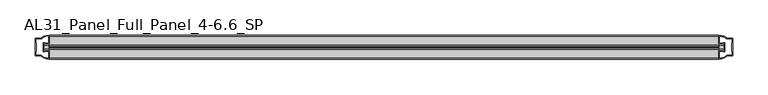
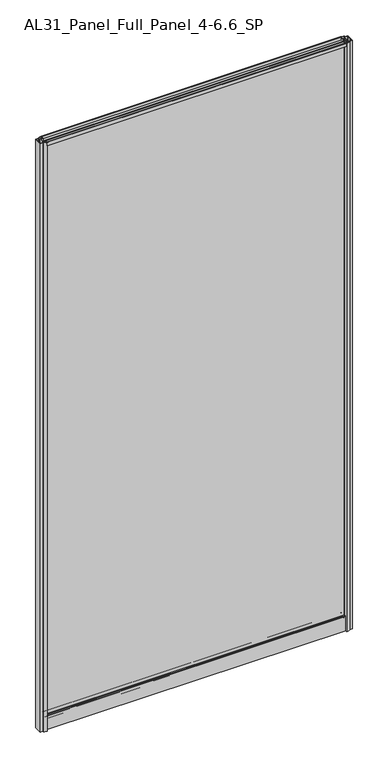
"""IFC4 building model written with IfcOpenShell, lengths in millimetres: plate geometry, AL31_Panel_Full_Panel_4-6.6_SP."""

from ifc_helpers import new_model, si_unit, point, frame, frame_2d, origin, origin_with_axes, place, context, project, spatial, polyline, circle_curve, trimmed, segment, composite_curve, outline, extrude, source, transform, mapped, element, save


def al31_panel_full_panel_4_6_6_sp_63cd9098(model_context):
    return source(origin(), model_context, "Body", "SweptSolid", [
        extrude(outline(composite_curve([segment(polyline([(-1.4, 1968.8980762), (-0.85, 1967.9454483)]), True, "CONTINUOUS"), segment(trimmed(circle_curve(frame_2d((0.1, 1966.3)), 1.9), [point((-0.85, 1967.9454483))], [point((1.05, 1967.9454483))], True, "CARTESIAN"), True, "CONTINUOUS"), segment(polyline([(1.05, 1967.9454483), (1.6, 1968.8980762)]), True, "CONTINUOUS"), segment(trimmed(circle_curve(frame_2d((0.1, 1966.3)), 3.0), [point((1.6, 1968.8980762))], [point((2.5718414, 1964.6))], False, "CARTESIAN"), True, "CONTINUOUS"), segment(polyline([(2.5718414, 1964.6), (15.7, 1964.6), (15.7, 1974.0), (17.0, 1974.0), (17.0, 1963.5), (6.7024688, 1963.5), (6.7024688, 1962.7), (6.1968782, 1960.7785039), (6.1968782, 1956.1), (5.0, 1956.1), (5.0, 1961.4339746), (5.5, 1962.3), (5.5, 1963.5), (-5.5, 1963.5), (-5.5, 1962.3), (-5.0, 1961.4339746), (-5.0, 1956.1), (-6.1968782, 1956.1), (-6.1968782, 1960.7785039), (-6.7024688, 1962.7), (-6.7024688, 1963.5), (-17.0, 1963.5), (-17.0, 1974.0), (-15.7, 1974.0), (-15.7, 1964.6), (-2.3718414, 1964.6)]), True, "CONTINUOUS"), segment(trimmed(circle_curve(frame_2d((0.1, 1966.3)), 3.0), [point((-2.3718414, 1964.6))], [point((-1.4, 1968.8980762))], False, "CARTESIAN"), True, "CONTINUOUS")], self_intersect=False)), frame((-475.5000505, 0.0, 0.0), z_axis=(1.0, 0.0, 0.0), x_axis=(0.0, 1.0, 0.0)), (0.0, 0.0, 1.0), 951.0001009),
        extrude(outline(composite_curve([segment(polyline([(-483.3414718, -5.9), (-482.1414718, -5.9), (-482.1414718, -5.0), (-475.5000505, -5.0), (-475.5000505, -17.0001453)]), True, "CONTINUOUS"), segment(trimmed(circle_curve(frame_2d((-475.1353989, 2.9965302)), 20.0), [point((-475.5000505, -17.0001453))], [point((-486.8558857, -13.2093388))], False, "CARTESIAN"), True, "CONTINUOUS"), segment(polyline([(-486.8558857, -13.2093388), (-486.8558857, -12.3279343), (-495.5000505, -12.3279343), (-495.5000505, 12.3720657), (-486.8558857, 12.3720657), (-486.8558857, 13.2095249)]), True, "CONTINUOUS"), segment(trimmed(circle_curve(frame_2d((-475.1353989, -2.9963441)), 20.0), [point((-486.8558857, 13.2095249))], [point((-475.5000505, 17.0003314))], False, "CARTESIAN"), True, "CONTINUOUS"), segment(polyline([(-475.5000505, 17.0003314), (-475.5000505, 5.0), (-482.1414718, 5.0), (-482.1414718, 5.9), (-483.3414718, 5.9), (-483.3414718, -5.9)]), True, "CONTINUOUS")], self_intersect=False), holes=[composite_curve([segment(trimmed(circle_curve(frame_2d((-482.3414718, 5.7)), 1.5), [point((-482.3414718, 7.2))], [point((-480.9862175, 6.3428731))], False, "CARTESIAN"), True, "CONTINUOUS"), segment(polyline([(-480.9862175, 6.3428731), (-477.2414718, 6.3428731), (-477.2414718, 10.939223), (-476.802132, 11.9998832), (-476.802132, 15.6499817)]), True, "CONTINUOUS"), segment(trimmed(circle_curve(frame_2d((-475.1353989, -2.9755921)), 18.7), [point((-476.802132, 15.6499817))], [point((-485.1421766, 12.8216987))], True, "CARTESIAN"), True, "CONTINUOUS"), segment(trimmed(circle_curve(frame_2d((-486.9414718, 12.8720657)), 1.8), [point((-485.1421766, 12.8216987))], [point((-486.9414718, 11.0720657))], False, "CARTESIAN"), True, "CONTINUOUS"), segment(polyline([(-486.9414718, 11.0720657), (-494.0828931, 11.0720657), (-494.0828931, 6.5019606), (-493.6414718, 5.439223), (-493.6414718, -5.3950916), (-494.1414718, -6.3879987), (-494.1414718, -11.0279343), (-486.9414718, -11.0279343)]), True, "CONTINUOUS"), segment(trimmed(circle_curve(frame_2d((-486.9414718, -12.8279343)), 1.8), [point((-486.9414718, -11.0279343))], [point((-485.1421766, -12.7775673))], False, "CARTESIAN"), True, "CONTINUOUS"), segment(trimmed(circle_curve(frame_2d((-475.1353989, 3.0197235)), 18.7), [point((-485.1421766, -12.7775673))], [point((-476.802132, -15.6058503))], True, "CARTESIAN"), True, "CONTINUOUS"), segment(polyline([(-476.802132, -15.6058503), (-476.802132, -11.9557518), (-477.2414718, -10.8950916), (-477.2414718, -6.2991308), (-480.9663201, -6.2991308)]), True, "CONTINUOUS"), segment(trimmed(circle_curve(frame_2d((-482.3414718, -5.7)), 1.5), [point((-480.9663201, -6.2991308))], [point((-482.3414718, -7.2))], False, "CARTESIAN"), True, "CONTINUOUS"), segment(polyline([(-482.3414718, -7.2), (-484.6414718, -7.2), (-484.6414718, 7.2), (-482.3414718, 7.2)]), True, "CONTINUOUS")], self_intersect=False)]), origin_with_axes(), (0.0, 0.0, 1.0), 1974.0),
        extrude(outline(composite_curve([segment(polyline([(483.3414718, 5.9), (482.1414718, 5.9), (482.1414718, 5.0), (475.5000505, 5.0), (475.5000505, 17.0001453)]), True, "CONTINUOUS"), segment(trimmed(circle_curve(frame_2d((475.1353989, -2.9965302)), 20.0), [point((475.5000505, 17.0001453))], [point((486.8558857, 13.2093388))], False, "CARTESIAN"), True, "CONTINUOUS"), segment(polyline([(486.8558857, 13.2093388), (486.8558857, 12.3279343), (495.5000505, 12.3279343), (495.5000505, -12.3720657), (486.8558857, -12.3720657), (486.8558857, -13.2095249)]), True, "CONTINUOUS"), segment(trimmed(circle_curve(frame_2d((475.1353989, 2.9963441)), 20.0), [point((486.8558857, -13.2095249))], [point((475.5000505, -17.0003314))], False, "CARTESIAN"), True, "CONTINUOUS"), segment(polyline([(475.5000505, -17.0003314), (475.5000505, -5.0), (482.1414718, -5.0), (482.1414718, -5.9), (483.3414718, -5.9), (483.3414718, 5.9)]), True, "CONTINUOUS")], self_intersect=False), holes=[composite_curve([segment(trimmed(circle_curve(frame_2d((482.3414718, -5.7)), 1.5), [point((482.3414718, -7.2))], [point((480.9862175, -6.3428731))], False, "CARTESIAN"), True, "CONTINUOUS"), segment(polyline([(480.9862175, -6.3428731), (477.2414718, -6.3428731), (477.2414718, -10.939223), (476.802132, -11.9998832), (476.802132, -15.6499817)]), True, "CONTINUOUS"), segment(trimmed(circle_curve(frame_2d((475.1353989, 2.9755921)), 18.7), [point((476.802132, -15.6499817))], [point((485.1421766, -12.8216987))], True, "CARTESIAN"), True, "CONTINUOUS"), segment(trimmed(circle_curve(frame_2d((486.9414718, -12.8720657)), 1.8), [point((485.1421766, -12.8216987))], [point((486.9414718, -11.0720657))], False, "CARTESIAN"), True, "CONTINUOUS"), segment(polyline([(486.9414718, -11.0720657), (494.0828931, -11.0720657), (494.0828931, -6.5019606), (493.6414718, -5.439223), (493.6414718, 5.3950916), (494.1414718, 6.3879987), (494.1414718, 11.0279343), (486.9414718, 11.0279343)]), True, "CONTINUOUS"), segment(trimmed(circle_curve(frame_2d((486.9414718, 12.8279343)), 1.8), [point((486.9414718, 11.0279343))], [point((485.1421766, 12.7775673))], False, "CARTESIAN"), True, "CONTINUOUS"), segment(trimmed(circle_curve(frame_2d((475.1353989, -3.0197235)), 18.7), [point((485.1421766, 12.7775673))], [point((476.802132, 15.6058503))], True, "CARTESIAN"), True, "CONTINUOUS"), segment(polyline([(476.802132, 15.6058503), (476.802132, 11.9557518), (477.2414718, 10.8950916), (477.2414718, 6.2991308), (480.9663201, 6.2991308)]), True, "CONTINUOUS"), segment(trimmed(circle_curve(frame_2d((482.3414718, 5.7)), 1.5), [point((480.9663201, 6.2991308))], [point((482.3414718, 7.2))], False, "CARTESIAN"), True, "CONTINUOUS"), segment(polyline([(482.3414718, 7.2), (484.6414718, 7.2), (484.6414718, -7.2), (482.3414718, -7.2)]), True, "CONTINUOUS")], self_intersect=False)]), origin_with_axes(), (0.0, 0.0, 1.0), 1974.0),
        extrude(outline(composite_curve([segment(trimmed(circle_curve(frame_2d((-8.4, 34.8)), 1.0), [point((-8.4, 35.8))], [point((-9.4, 34.8))], True, "CARTESIAN"), True, "CONTINUOUS"), segment(polyline([(-9.4, 34.8), (-9.4, 33.5), (-5.0000303, 33.5), (-5.0000303, 32.3), (-9.4, 32.3), (-9.4, 0.0), (-10.6, 0.0), (-10.6, 47.3)]), True, "CONTINUOUS"), segment(trimmed(circle_curve(frame_2d((-8.6, 47.3)), 2.0), [point((-10.6, 47.3))], [point((-8.6, 49.3))], False, "CARTESIAN"), True, "CONTINUOUS"), segment(polyline([(-8.6, 49.3), (-5.0, 49.3), (-5.0, 41.9), (5.0, 41.9), (5.0, 49.3), (8.6, 49.3)]), True, "CONTINUOUS"), segment(trimmed(circle_curve(frame_2d((8.6, 47.3)), 2.0), [point((8.6, 49.3))], [point((10.6, 47.3))], False, "CARTESIAN"), True, "CONTINUOUS"), segment(polyline([(10.6, 47.3), (10.6, 0.0), (9.4, 0.0), (9.4, 32.3), (4.9999697, 32.3), (4.9999697, 33.5), (9.4, 33.5), (9.4, 34.8)]), True, "CONTINUOUS"), segment(trimmed(circle_curve(frame_2d((8.4, 34.8)), 1.0), [point((9.4, 34.8))], [point((8.4, 35.8))], True, "CARTESIAN"), True, "CONTINUOUS"), segment(polyline([(8.4, 35.8), (-8.4, 35.8)]), True, "CONTINUOUS")], self_intersect=False), holes=[composite_curve([segment(trimmed(circle_curve(frame_2d((5.5024688, 41.8)), 1.0), [point((6.5024688, 41.8))], [point((5.5024688, 40.8))], False, "CARTESIAN"), True, "CONTINUOUS"), segment(polyline([(5.5024688, 40.8), (2.8008965, 40.8), (2.8008965, 39.7274194), (1.8370508, 39.7274194)]), True, "CONTINUOUS"), segment(trimmed(circle_curve(frame_2d((0.0, 38.7)), 2.1048387), [point((1.8370508, 39.7274194))], [point((-1.8370508, 39.7274194))], True, "CARTESIAN"), True, "CONTINUOUS"), segment(polyline([(-1.8370508, 39.7274194), (-2.8008965, 39.7274194), (-2.8008965, 40.8), (-5.5024688, 40.8)]), True, "CONTINUOUS"), segment(trimmed(circle_curve(frame_2d((-5.5024688, 41.8)), 1.0), [point((-5.5024688, 40.8))], [point((-6.5024688, 41.8))], False, "CARTESIAN"), True, "CONTINUOUS"), segment(polyline([(-6.5024688, 41.8), (-6.5024688, 42.7)]), True, "CONTINUOUS"), segment(trimmed(circle_curve(frame_2d((-5.3024688, 42.7)), 1.2), [point((-6.5024688, 42.7))], [point((-6.1198184, 43.5786009))], False, "CARTESIAN"), True, "CONTINUOUS"), segment(polyline([(-6.1198184, 43.5786009), (-6.1198184, 48.2), (-8.4, 48.2)]), True, "CONTINUOUS"), segment(trimmed(circle_curve(frame_2d((-8.4, 47.2)), 1.0), [point((-8.4, 48.2))], [point((-9.4, 47.2))], True, "CARTESIAN"), True, "CONTINUOUS"), segment(polyline([(-9.4, 47.2), (-9.4, 37.04), (-2.8008965, 37.04), (-2.8008965, 38.0725806), (-1.8370508, 38.0725806)]), True, "CONTINUOUS"), segment(trimmed(circle_curve(frame_2d((0.0, 39.1)), 2.1048387), [point((-1.8370508, 38.0725806))], [point((1.8370508, 38.0725806))], True, "CARTESIAN"), True, "CONTINUOUS"), segment(polyline([(1.8370508, 38.0725806), (2.8008965, 38.0725806), (2.8008965, 37.04), (9.4, 37.04), (9.4, 47.2)]), True, "CONTINUOUS"), segment(trimmed(circle_curve(frame_2d((8.4, 47.2)), 1.0), [point((9.4, 47.2))], [point((8.4, 48.2))], True, "CARTESIAN"), True, "CONTINUOUS"), segment(polyline([(8.4, 48.2), (6.1198184, 48.2), (6.1198184, 43.7786009)]), True, "CONTINUOUS"), segment(trimmed(circle_curve(frame_2d((5.3024688, 42.9)), 1.2), [point((6.1198184, 43.7786009))], [point((6.5024688, 42.9))], False, "CARTESIAN"), True, "CONTINUOUS"), segment(polyline([(6.5024688, 42.9), (6.5024688, 41.8)]), True, "CONTINUOUS")], self_intersect=False)]), frame((-475.5000505, 0.0, 0.0), z_axis=(1.0, 0.0, 0.0), x_axis=(0.0, 1.0, 0.0)), (0.0, 0.0, 1.0), 951.0001009),
        extrude(outline(polyline([(483.3414718, 2.0), (483.3414718, -2.0), (-483.3414718, -2.0), (-483.3414718, 2.0), (483.3414718, 2.0)])), frame((0.0, 0.0, 41.9), z_axis=(0.0, 0.0, 1.0), x_axis=(1.0, 0.0, 0.0)), (0.0, 0.0, 1.0), 1921.6),
    ])


if __name__ == "__main__":
    model = new_model("IFC4")
    model_context = context("Model", 3, world=origin())
    ifc_project = project(units=[si_unit("LENGTHUNIT", "METRE", prefix="MILLI")], contexts=[model_context])
    site = spatial("IfcSite", under=ifc_project)
    building = spatial("IfcBuilding", under=site)
    placement = place(None, origin())
    al31_panel_full_panel_4_6_6_sp_shape = al31_panel_full_panel_4_6_6_sp_63cd9098(model_context)
    element("IfcPlate", 1, ObjectType="AL31_Panel_Full_Panel_4-6.6_SP", at=placement, inside=building, context=model_context, shape_type="MappedRepresentation", body=[
        mapped(al31_panel_full_panel_4_6_6_sp_shape, transform((0.0, 0.0, 0.0), x_axis=(1.0, 0.0, 0.0), y_axis=(0.0, 1.0, 0.0), z_axis=(0.0, 0.0, 1.0))),
    ])
    save(model, "model.ifc")
